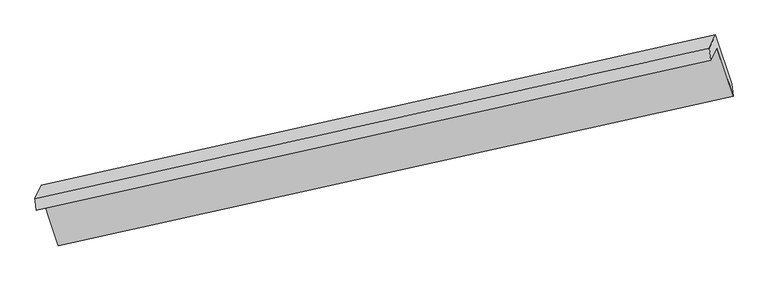
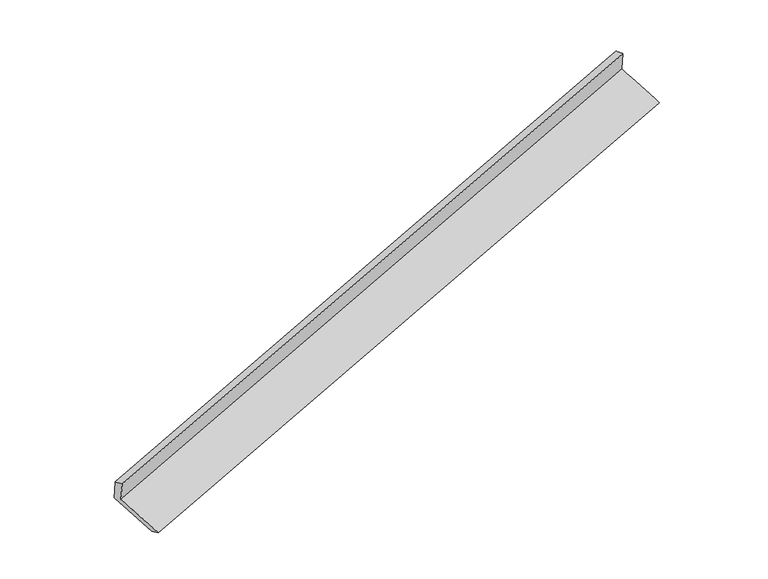
"""IFC4 building model written with IfcOpenShell, lengths in millimetres: proxy geometry."""

from ifc_helpers import new_model, si_unit, frame, origin, place, context, project, spatial, source, transform, mapped, element, save
from ifc_brep_helpers import plane_surface, spline_surface, advanced_brep


def generic_models_a951e56a(model_context):
    return source(origin(), model_context, "Body", "AdvancedBrep", [
        advanced_brep(
        [(-7591.0107539, -2506.9147093, 886.9369324), (-7509.154142, -2332.5493497, 494.4722083), (1710.6893886, -287.1077494, 3328.1936727), (1628.8327768, -461.473109, 3720.6583969), (-7608.8355216, -2350.2645006, 833.8222973), (1607.3825912, -296.0262079, 3670.695826), (-7522.9754789, -2167.3713061, 422.1629674), (1693.242634, -113.1330134, 3259.036496), (-7304.0271168, -2827.5142305, 174.538961), (1918.7457741, -781.4285942, 3009.1575381), (-7289.2606272, -2995.5419684, 245.7792627), (1934.1393135, -949.3184717, 3080.5898729)],
        [
            (0, 1),
            (1, 2),
            (2, 3),
            (3, 0),
            (4, 0),
            (3, 5),
            (5, 4),
            (6, 4),
            (5, 7),
            (7, 6),
            (8, 6),
            (7, 9),
            (9, 8),
            (10, 8),
            (9, 11),
            (11, 10),
            (1, 10),
            (11, 2),
        ],
        [
            plane_surface(frame((-7550.082448, -2419.7320295, 690.7045703), z_axis=(0.3008513063844197, -0.8932334306620137, -0.33409958065606415), x_axis=(0.18723484373411947, 0.39883486655155226, -0.8977047746974868))),
            spline_surface(1, 1, [[(-7608.8355216, -2350.2645006, 833.8222973), (1607.3825912, -296.0262079, 3670.695826)], [(-7591.0107539, -2506.9147093, 886.9369324), (1628.8327768, -461.473109, 3720.6583969)]], [2, 2], [2, 2], [0.0, 1.0], [0.0, 1.0]),
            plane_surface(frame((-7565.9055003, -2258.8179034, 627.9926323), z_axis=(-0.3017997284899992, 0.8930224620380295, 0.33380803791835106), x_axis=(-0.18723484373424587, -0.3988348665516304, 0.8977047746974257))),
            spline_surface(1, 1, [[(-7304.0271168, -2827.5142305, 174.538961), (1918.7457741, -781.4285942, 3009.1575381)], [(-7522.9754789, -2167.3713061, 422.1629674), (1693.242634, -113.1330134, 3259.036496)]], [2, 2], [2, 2], [0.0, 1.0], [0.0, 1.0]),
            spline_surface(1, 1, [[(-7289.2606272, -2995.5419684, 245.7792627), (1934.1393135, -949.3184717, 3080.5898729)], [(-7304.0271168, -2827.5142305, 174.538961), (1918.7457741, -781.4285942, 3009.1575381)]], [2, 2], [2, 2], [0.0, 1.0], [0.0, 1.0]),
            spline_surface(1, 1, [[(-7509.154142, -2332.5493497, 494.4722083), (1710.6893886, -287.1077494, 3328.1936727)], [(-7289.2606272, -2995.5419684, 245.7792627), (1934.1393135, -949.3184717, 3080.5898729)]], [2, 2], [2, 2], [0.0, 1.0], [0.0, 1.0]),
            plane_surface(frame((1748.8387464, -481.4145243, 3344.7219671), z_axis=(0.9349449146536977, 0.20801167910008955, 0.2874180716676516), x_axis=(-0.30136542577907116, 0.8931191916987983, 0.33394159603781676))),
            plane_surface(frame((-7470.8772734, -2530.0260108, 509.6187715), z_axis=(-0.9364774366972584, -0.20343079856751328, -0.28570250392867813), x_axis=(-0.18723484373420718, -0.39883486655162675, 0.8977047746974353))),
        ],
        [
            (0, [[1, 2, 3, 4]]),
            (1, [[5, -4, 6, 7]]),
            (2, [[8, -7, 9, 10]]),
            (3, [[11, -10, 12, 13]]),
            (4, [[14, -13, 15, 16]]),
            (5, [[17, -16, 18, -2]]),
            (6, [[-12, -9, -6, -3, -18, -15]]),
            (7, [[-1, -5, -8, -11, -14, -17]]),
        ],
    ),
    ])


if __name__ == "__main__":
    model = new_model("IFC4")
    model_context = context("Model", 3, world=origin())
    ifc_project = project(units=[si_unit("LENGTHUNIT", "METRE", prefix="MILLI")], contexts=[model_context])
    site = spatial("IfcSite", under=ifc_project)
    building = spatial("IfcBuilding", under=site)
    placement = place(None, origin())
    generic_models_shape = generic_models_a951e56a(model_context)
    element("IfcBuildingElementProxy", 1, Name="Generic Models", at=placement, inside=building, context=model_context, shape_type="MappedRepresentation", body=[
        mapped(generic_models_shape, transform((0.0, 0.0, 0.0), x_axis=(1.0, 0.0, 0.0), y_axis=(0.0, 1.0, 0.0), z_axis=(0.0, 0.0, 1.0))),
    ])
    save(model, "model.ifc")
